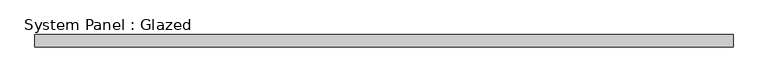
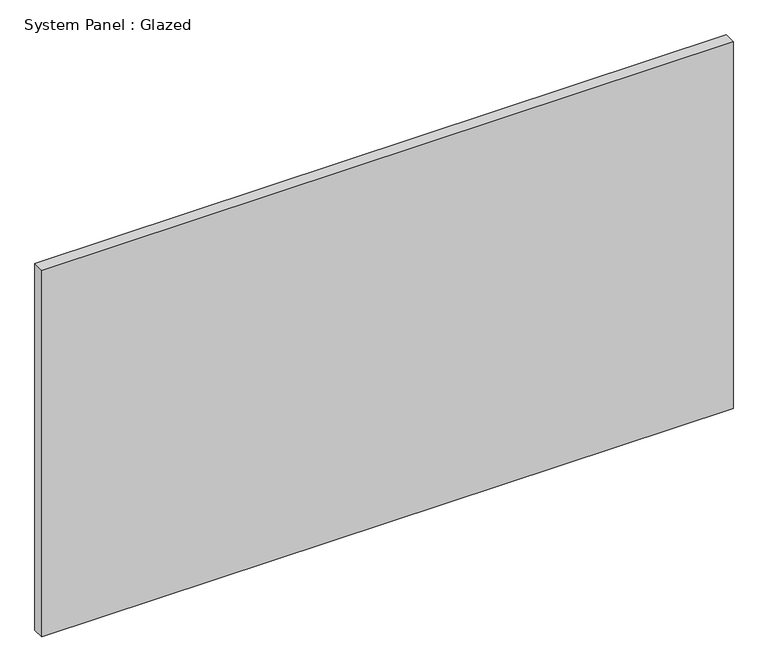
"""IFC4 building model written with IfcOpenShell, lengths in millimetres: plate geometry, System Panel : Glazed."""

from ifc_helpers import new_model, si_unit, origin, origin_with_axes, place, context, project, spatial, polyline, outline, extrude, source, transform, mapped, element, save


def system_panel_glazed_30af7a16(model_context):
    return source(origin(), model_context, "Body", "SweptSolid", [
        extrude(outline(polyline([(730.25, -44.45), (-730.25, -44.45), (-730.25, -19.05), (730.25, -19.05), (730.25, -44.45)])), origin_with_axes(), (0.0, 0.0, 1.0), 819.15),
    ])


if __name__ == "__main__":
    model = new_model("IFC4")
    model_context = context("Model", 3, world=origin())
    ifc_project = project(units=[si_unit("LENGTHUNIT", "METRE", prefix="MILLI")], contexts=[model_context])
    site = spatial("IfcSite", under=ifc_project)
    building = spatial("IfcBuilding", under=site)
    placement = place(None, origin())
    system_panel_glazed_shape = system_panel_glazed_30af7a16(model_context)
    element("IfcPlate", 1, ObjectType="System Panel : Glazed", at=placement, inside=building, context=model_context, shape_type="MappedRepresentation", body=[
        mapped(system_panel_glazed_shape, transform((0.0, 0.0, 0.0), x_axis=(1.0, 0.0, 0.0), y_axis=(0.0, 1.0, 0.0), z_axis=(0.0, 0.0, 1.0))),
    ])
    save(model, "model.ifc")
